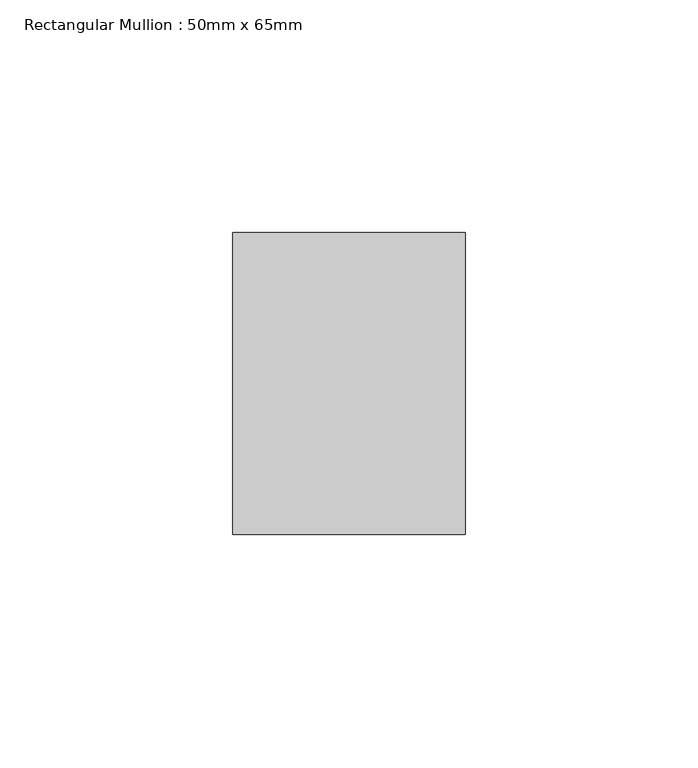
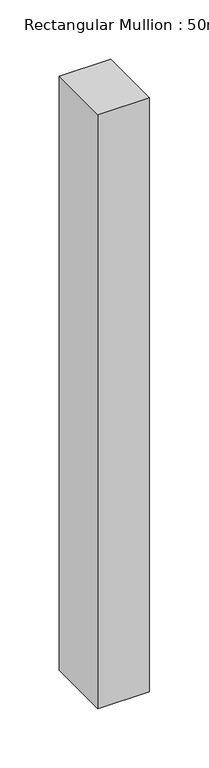
"""IFC4 building model written with IfcOpenShell, lengths in millimetres: member geometry, Rectangular Mullion : 50mm x 65mm."""

from ifc_helpers import new_model, si_unit, frame, origin, place, context, project, spatial, polyline, outline, extrude, source, transform, mapped, element, save


def rectangular_mullion_50mm_x_65mm_d84453eb(model_context):
    return source(origin(), model_context, "Body", "SweptSolid", [
        extrude(outline(polyline([(25.0, 32.5), (25.0, -32.5), (-25.0, -32.5), (-25.0, 32.5), (25.0, 32.5)])), frame((0.0, 0.0, -610.7645501), z_axis=(0.0, 0.0, 1.0), x_axis=(1.0, 0.0, 0.0)), (0.0, 0.0, 1.0), 610.7645501),
    ])


if __name__ == "__main__":
    model = new_model("IFC4")
    model_context = context("Model", 3, world=origin())
    ifc_project = project(units=[si_unit("LENGTHUNIT", "METRE", prefix="MILLI")], contexts=[model_context])
    site = spatial("IfcSite", under=ifc_project)
    building = spatial("IfcBuilding", under=site)
    placement = place(None, origin())
    rectangular_mullion_50mm_x_65mm_shape = rectangular_mullion_50mm_x_65mm_d84453eb(model_context)
    element("IfcMember", 1, ObjectType="Rectangular Mullion : 50mm x 65mm", at=placement, inside=building, context=model_context, shape_type="MappedRepresentation", body=[
        mapped(rectangular_mullion_50mm_x_65mm_shape, transform((0.0, 0.0, 0.0), x_axis=(1.0, 0.0, 0.0), y_axis=(0.0, 1.0, 0.0), z_axis=(0.0, 0.0, 1.0))),
    ])
    save(model, "model.ifc")
